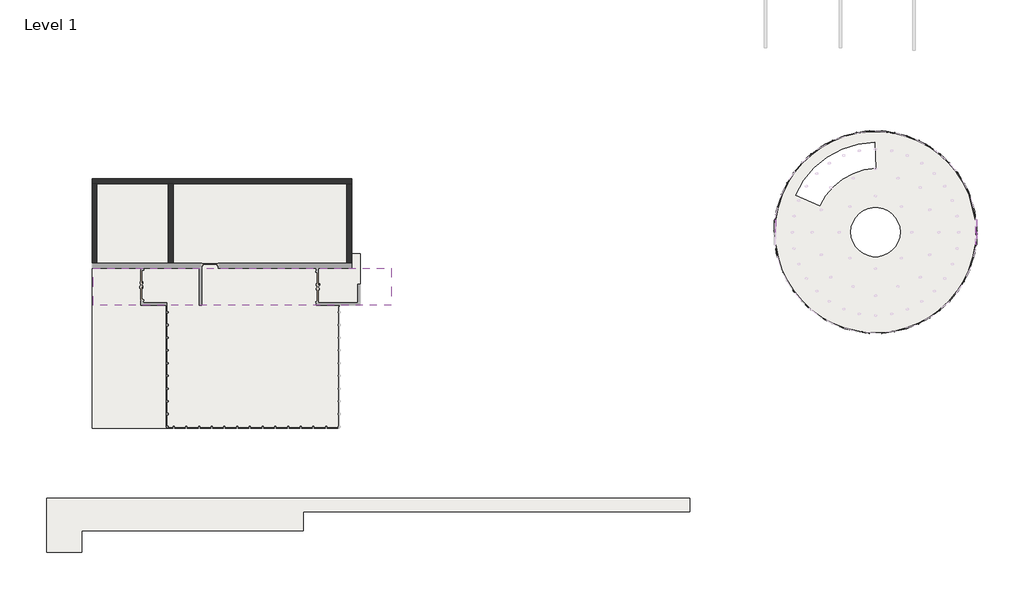
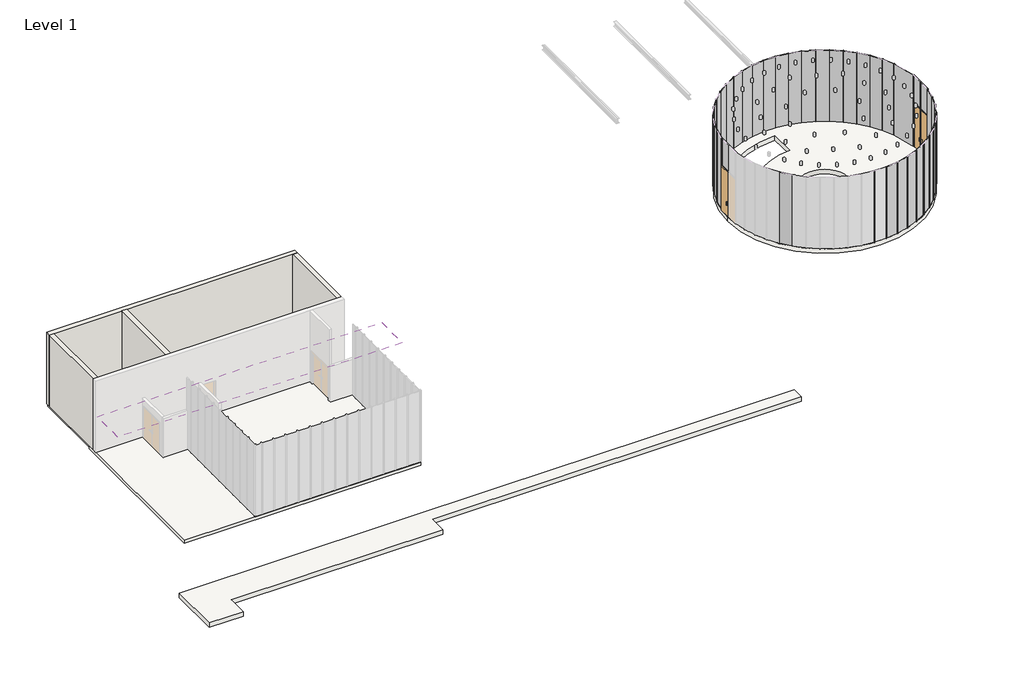
# One storey, part 2 of 3: 44 members, 40 plates, 4 walls, 3 doors, 3 slabs, 1 roof.
"""IFC4 building model written with IfcOpenShell, lengths in millimetres."""

import ifcopenshell
import ifcopenshell.guid

model = None  # the IFC model being written
_history = None  # IfcOwnerHistory: only IFC2X3 demands one
_inside = {}  # id of a spatial element -> (the spatial element, [elements in it])
_under = {}  # id of a project, library or spatial element -> (it, [spatial elements below it])
_declared = {}  # id of a project -> (the project, [libraries it declares])
_typed = {}  # id of a type object -> (the type object, [elements of that type])
_made_of = {}  # id of a material, layer set ... -> (it, [elements and type objects made of it])


def new_model(schema):
    """Start an empty IFC model of exactly this schema.

    Asked for "IFC4X3", IfcOpenShell would pick the latest addendum, in which some entities
    have other attributes; the version numbers below select the first issue.
    IFC2X3 requires an IfcOwnerHistory on every rooted entity: one is made here for all.
    """
    global model, _history
    if schema == "IFC4X3":
        model = ifcopenshell.file(schema_version=(4, 3, 0, 0))
    else:
        model = ifcopenshell.file(schema=schema)
    _inside.clear()
    _under.clear()
    _declared.clear()
    _typed.clear()
    _made_of.clear()
    _history = None
    if model.schema == "IFC2X3":
        org = make("IfcOrganization", Name="unknown")
        user = make(
            "IfcPersonAndOrganization",
            ThePerson=make("IfcPerson", FamilyName="unknown"),
            TheOrganization=org,
        )
        app = make(
            "IfcApplication",
            ApplicationDeveloper=org,
            Version="unknown",
            ApplicationFullName="unknown",
            ApplicationIdentifier="unknown",
        )
        _history = make(
            "IfcOwnerHistory",
            OwningUser=user,
            OwningApplication=app,
            ChangeAction="ADDED",
            CreationDate=0,
        )
    return model


def make(cls, **values):
    """One entity of the class cls with the attributes given. An attribute that is None is left unset."""
    return model.create_entity(
        cls, **{name: value for name, value in values.items() if value is not None}
    )


def rooted(cls, **values):
    """An entity with a GlobalId (a new one), such as an element, a storey or a relation."""
    return make(cls, GlobalId=ifcopenshell.guid.new(), OwnerHistory=_history, **values)


def si_unit(unit_type, name, prefix=None):
    """IfcSIUnit, for example si_unit("LENGTHUNIT", "METRE", prefix="MILLI")."""
    return make("IfcSIUnit", UnitType=unit_type, Prefix=prefix, Name=name)


def assignment(units):
    """IfcUnitAssignment: the units of a project."""
    return None if units is None else make("IfcUnitAssignment", Units=units)


def point(xyz):
    """IfcCartesianPoint."""
    return None if xyz is None else make("IfcCartesianPoint", Coordinates=xyz)


def direction(xyz):
    """IfcDirection."""
    return None if xyz is None else make("IfcDirection", DirectionRatios=xyz)


def frame(location, z_axis=None, x_axis=None):
    """IfcAxis2Placement3D, a coordinate frame: its origin and axes. An axis left out is left unset."""
    return make(
        "IfcAxis2Placement3D",
        Location=point(location),
        Axis=direction(z_axis),
        RefDirection=direction(x_axis),
    )


def frame_2d(location, x_axis=None):
    """IfcAxis2Placement2D, a coordinate frame in the plane: its origin and x axis."""
    return make(
        "IfcAxis2Placement2D", Location=point(location), RefDirection=direction(x_axis)
    )


def origin():
    """The frame at (0, 0, 0) with its axes left unset."""
    return frame((0.0, 0.0, 0.0))


def origin_with_axes():
    """The frame at (0, 0, 0) with the z axis (0, 0, 1) and the x axis (1, 0, 0) written out."""
    return frame((0.0, 0.0, 0.0), z_axis=(0.0, 0.0, 1.0), x_axis=(1.0, 0.0, 0.0))


def place(relative_to, where):
    """IfcLocalPlacement: puts the frame where relative to a parent placement (None: the world)."""
    return make(
        "IfcLocalPlacement", PlacementRelTo=relative_to, RelativePlacement=where
    )


def context(
    kind, dimensions, precision=None, world=None, true_north=None, identifier=None
):
    """IfcGeometricRepresentationContext, for example the 3D "Model" context."""
    return make(
        "IfcGeometricRepresentationContext",
        ContextIdentifier=identifier,
        ContextType=kind,
        CoordinateSpaceDimension=dimensions,
        Precision=precision,
        WorldCoordinateSystem=world,
        TrueNorth=true_north,
    )


def project(units=None, contexts=None):
    """IfcProject with its units and contexts."""
    return rooted(
        "IfcProject",
        Name="project",
        RepresentationContexts=contexts,
        UnitsInContext=assignment(units),
    )


def spatial(cls, under=None, at=None, **own):
    """A site, building, storey or space (cls), placed at a placement, below another one or the project."""
    s = rooted(cls, ObjectPlacement=at, **own)
    if under is not None:
        _under.setdefault(under.id(), (under, []))[1].append(s)
    return s


def polyline(points):
    """IfcPolyline through the points."""
    return make("IfcPolyline", Points=[point(p) for p in points])


def circle_curve(where, radius):
    """IfcCircle in the frame where."""
    return make("IfcCircle", Position=where, Radius=radius)


def trimmed(basis, trim1, trim2, sense, master):
    """IfcTrimmedCurve: the piece of a basis curve between two trims."""
    return make(
        "IfcTrimmedCurve",
        BasisCurve=basis,
        Trim1=trim1,
        Trim2=trim2,
        SenseAgreement=sense,
        MasterRepresentation=master,
    )


def segment(curve, same_sense, transition):
    """IfcCompositeCurveSegment."""
    return make(
        "IfcCompositeCurveSegment",
        Transition=transition,
        SameSense=same_sense,
        ParentCurve=curve,
    )


def composite_curve(segments, self_intersect=None):
    """IfcCompositeCurve: segments joined end to end."""
    return make("IfcCompositeCurve", Segments=segments, SelfIntersect=self_intersect)


def outline(outer, holes=None, kind="AREA"):
    """IfcArbitraryClosedProfileDef: a profile drawn as a closed curve; with holes, ...WithVoids."""
    if holes is None:
        return make("IfcArbitraryClosedProfileDef", ProfileType=kind, OuterCurve=outer)
    return make(
        "IfcArbitraryProfileDefWithVoids",
        ProfileType=kind,
        OuterCurve=outer,
        InnerCurves=holes,
    )


def extrude(swept, where, along, depth):
    """IfcExtrudedAreaSolid: the profile swept, set in the frame where, extruded along a direction by depth."""
    return make(
        "IfcExtrudedAreaSolid",
        SweptArea=swept,
        Position=where,
        ExtrudedDirection=direction(along),
        Depth=depth,
    )


def faces_of(points, faces, orient=None, outer=None):
    """IfcFace entities. A face is a list of loops; a loop is a list of indices into points, from 0.

    orient and outer hold one flag for each loop. By default every Orientation is true, the
    first loop of a face is its IfcFaceOuterBound and the others are IfcFaceBound.
    """
    made = []
    for i, loops in enumerate(faces):
        bounds = []
        for j, loop in enumerate(loops):
            is_outer = j == 0 if outer is None else outer[i][j]
            bounds.append(
                make(
                    "IfcFaceOuterBound" if is_outer else "IfcFaceBound",
                    Bound=make("IfcPolyLoop", Polygon=[points[k] for k in loop]),
                    Orientation=True if orient is None else orient[i][j],
                )
            )
        made.append(make("IfcFace", Bounds=bounds))
    return made


def faceted_brep(points, faces, orient=None, outer=None, voids=None):
    """IfcFacetedBrep: a solid bounded by flat faces; with voids (closed shells), ...WithVoids."""
    shared = [point(p) for p in points]
    hull = make("IfcClosedShell", CfsFaces=faces_of(shared, faces, orient, outer))
    if voids is None:
        return make("IfcFacetedBrep", Outer=hull)
    return make(
        "IfcFacetedBrepWithVoids",
        Outer=hull,
        Voids=[
            make(cls, CfsFaces=faces_of(shared, fs, o, b)) for cls, fs, o, b in voids
        ],
    )


def shape(context_of_items, identifier, shape_type, items):
    """IfcShapeRepresentation: the items that make up one representation, for example the "Body"."""
    return make(
        "IfcShapeRepresentation",
        ContextOfItems=context_of_items,
        RepresentationIdentifier=identifier,
        RepresentationType=shape_type,
        Items=items,
    )


def source(mapping_origin, context_of_items, identifier, shape_type, items):
    """IfcRepresentationMap: a shape defined once, which mapped items show again and again."""
    return make(
        "IfcRepresentationMap",
        MappingOrigin=mapping_origin,
        MappedRepresentation=shape(context_of_items, identifier, shape_type, items),
    )


def transform(
    local_origin,
    x_axis=None,
    y_axis=None,
    z_axis=None,
    scale=None,
    scale2=None,
    scale3=None,
    uniform=True,
):
    """IfcCartesianTransformationOperator3D, or its non-uniform kind. x_axis, y_axis, z_axis: its Axis1, 2, 3."""
    if uniform:
        return make(
            "IfcCartesianTransformationOperator3D",
            Axis1=direction(x_axis),
            Axis2=direction(y_axis),
            LocalOrigin=point(local_origin),
            Scale=scale,
            Axis3=direction(z_axis),
        )
    return make(
        "IfcCartesianTransformationOperator3DnonUniform",
        Axis1=direction(x_axis),
        Axis2=direction(y_axis),
        LocalOrigin=point(local_origin),
        Scale=scale,
        Axis3=direction(z_axis),
        Scale2=scale2,
        Scale3=scale3,
    )


def mapped(mapping_source, mapping_target):
    """IfcMappedItem: shows the shape of a source again, moved by a transform."""
    return make(
        "IfcMappedItem", MappingSource=mapping_source, MappingTarget=mapping_target
    )


def made_of(thing, what):
    """Note that an element or type object is made of a material, layer set ...; save() writes the relation."""
    if what is not None:
        _made_of.setdefault(what.id(), (what, []))[1].append(thing)
    return thing


def element(
    cls,
    number,
    at=None,
    inside=None,
    cuts=None,
    type_object=None,
    material=None,
    context=None,
    identifier="Body",
    shape_type=None,
    held_by="IfcProductDefinitionShape",
    body=None,
    shapes=None,
    **own,
):
    """One element of the class cls, such as IfcWall. Its Tag is "e" and its number.

    at: its placement. inside: the storey or other place that contains it. cuts: it is an
    opening in that element (IfcRelVoidsElement). A single representation is given by context,
    identifier, shape_type and body (its items); several are given by shapes. held_by: the class
    of the entity that holds the representations. save() writes the other relations.
    """
    e = rooted(cls, Tag="e%d" % number, ObjectPlacement=at, **own)
    if body is not None:
        shapes = [shape(context, identifier, shape_type, body)]
    if shapes is not None:
        e.Representation = make(held_by, Representations=shapes)
    if inside is not None:
        _inside.setdefault(inside.id(), (inside, []))[1].append(e)
    if cuts is not None:
        rooted(
            "IfcRelVoidsElement", RelatingBuildingElement=cuts, RelatedOpeningElement=e
        )
    if type_object is not None:
        _typed.setdefault(type_object.id(), (type_object, []))[1].append(e)
    return made_of(e, material)


def aggregate(whole, parts):
    """IfcRelAggregates: a whole, such as a stair, and the parts it consists of."""
    return rooted("IfcRelAggregates", RelatingObject=whole, RelatedObjects=parts)


def save(model, path):
    """Write the relations noted so far, then the file.

    IfcRelAggregates (storeys below a building ...), IfcRelContainedInSpatialStructure (elements
    in a storey), IfcRelDefinesByType, IfcRelAssociatesMaterial and IfcRelDeclares: one each for
    every whole, place, type object, material and project.
    """
    for whole, parts in _under.values():
        aggregate(whole, parts)
    for where, things in _inside.values():
        rooted(
            "IfcRelContainedInSpatialStructure",
            RelatedElements=things,
            RelatingStructure=where,
        )
    for kind, things in _typed.values():
        rooted("IfcRelDefinesByType", RelatedObjects=things, RelatingType=kind)
    for what, things in _made_of.values():
        rooted("IfcRelAssociatesMaterial", RelatedObjects=things, RelatingMaterial=what)
    for by, libraries in _declared.values():
        rooted("IfcRelDeclares", RelatingContext=by, RelatedDefinitions=libraries)
    model.write(path)


def door_curtain_wall_single_glass_door_curtain_wall_single_ae4f2b10(model_context):
    return source(origin(), model_context, "Body", "SweptSolid", [
        extrude(outline(polyline([(380.6458075, 50.8), (380.6458075, 38.1), (-380.6458075, 38.1), (-380.6458075, 50.8), (380.6458075, 50.8)])), origin_with_axes(), (0.0, 0.0, 1.0), 3035.3),
        extrude(outline(polyline([(-279.0458075, -12.7), (-304.4458075, -12.7), (-304.4458075, 38.1), (-279.0458075, 38.1), (-279.0458075, -12.7)])), frame((0.0, 0.0, 762.0), z_axis=(0.0, 0.0, 1.0), x_axis=(1.0, 0.0, 0.0)), (0.0, 0.0, 1.0), 228.6),
        extrude(outline(polyline([(-304.4458075, 101.6), (-279.0458075, 101.6), (-279.0458075, 50.8), (-304.4458075, 50.8), (-304.4458075, 101.6)])), frame((0.0, 0.0, 762.0), z_axis=(0.0, 0.0, 1.0), x_axis=(1.0, 0.0, 0.0)), (0.0, 0.0, 1.0), 228.6),
    ])


def door_curtain_wall_single_glass_door_curtain_wall_single_733c80d1(model_context):
    return source(origin(), model_context, "Body", "SweptSolid", [
        extrude(outline(polyline([(374.6500002, -50.8), (-374.6500002, -50.8), (-374.6500002, -38.1), (374.6500002, -38.1), (374.6500002, -50.8)])), origin_with_axes(), (0.0, 0.0, 1.0), 3035.3),
        extrude(outline(polyline([(-273.0500002, 12.7), (-273.0500002, -38.1), (-298.4500002, -38.1), (-298.4500002, 12.7), (-273.0500002, 12.7)])), frame((0.0, 0.0, 762.0), z_axis=(0.0, 0.0, 1.0), x_axis=(1.0, 0.0, 0.0)), (0.0, 0.0, 1.0), 228.6),
        extrude(outline(polyline([(-298.4500002, -101.6), (-298.4500002, -50.8), (-273.0500002, -50.8), (-273.0500002, -101.6), (-298.4500002, -101.6)])), frame((0.0, 0.0, 762.0), z_axis=(0.0, 0.0, 1.0), x_axis=(1.0, 0.0, 0.0)), (0.0, 0.0, 1.0), 228.6),
    ])


def door_curtain_wall_single_glass_door_curtain_wall_single_a1af9baf(model_context):
    return source(origin(), model_context, "Body", "SweptSolid", [
        extrude(outline(polyline([(374.6500002, 50.8), (374.6500002, 38.1), (-374.6500002, 38.1), (-374.6500002, 50.8), (374.6500002, 50.8)])), origin_with_axes(), (0.0, 0.0, 1.0), 3035.3),
        extrude(outline(polyline([(-273.0500002, -12.7), (-298.4500002, -12.7), (-298.4500002, 38.1), (-273.0500002, 38.1), (-273.0500002, -12.7)])), frame((0.0, 0.0, 762.0), z_axis=(0.0, 0.0, 1.0), x_axis=(1.0, 0.0, 0.0)), (0.0, 0.0, 1.0), 228.6),
        extrude(outline(polyline([(-298.4500002, 101.6), (-273.0500002, 101.6), (-273.0500002, 50.8), (-298.4500002, 50.8), (-298.4500002, 101.6)])), frame((0.0, 0.0, 762.0), z_axis=(0.0, 0.0, 1.0), x_axis=(1.0, 0.0, 0.0)), (0.0, 0.0, 1.0), 228.6),
    ])


def member_7e523723(model_context):
    return source(origin(), model_context, "Body", "SweptSolid", [
        extrude(outline(polyline([(0.0, 12.7), (0.0, -12.7), (-25.4, -12.7), (-25.4, 12.7), (0.0, 12.7)])), frame((0.0, 0.0, -3048.0), z_axis=(0.0, 0.0, 1.0), x_axis=(1.0, 0.0, 0.0)), (0.0, 0.0, 1.0), 3048.0),
    ])


def member_721a11e9(model_context):
    return source(origin(), model_context, "Body", "SweptSolid", [
        extrude(outline(polyline([(12.7, 12.7), (12.7, -12.7), (-12.7, -12.7), (-12.7, 12.7), (12.7, 12.7)])), frame((0.0, 0.0, -762.0000003), z_axis=(0.0, 0.0, 1.0), x_axis=(1.0, 0.0, 0.0)), (0.0, 0.0, 1.0), 762.0000003),
    ])


def member_d0889910(model_context):
    return source(origin(), model_context, "Body", "SweptSolid", [
        extrude(outline(polyline([(12.7, 12.7), (12.7, -12.7), (-12.7, -12.7), (-12.7, 12.7), (12.7, 12.7)])), frame((0.0, 0.0, -773.991615), z_axis=(0.0, 0.0, 1.0), x_axis=(1.0, 0.0, 0.0)), (0.0, 0.0, 1.0), 773.991615),
    ])


def member_db6f6618(model_context):
    return source(origin(), model_context, "Body", "SweptSolid", [
        extrude(outline(polyline([(12.7, 12.7), (12.7, -12.7), (-12.7, -12.7), (-12.7, 12.7), (12.7, 12.7)])), frame((0.0, 0.0, -3035.3), z_axis=(0.0, 0.0, 1.0), x_axis=(1.0, 0.0, 0.0)), (0.0, 0.0, 1.0), 3035.3),
    ])


def member_31f77144(model_context):
    return source(origin(), model_context, "Body", "SweptSolid", [
        extrude(outline(polyline([(12.7, 12.7), (12.7, -12.7), (-12.7, -12.7), (-12.7, 12.7), (12.7, 12.7)])), frame((0.0, 0.0, -4876.8), z_axis=(0.0, 0.0, 1.0), x_axis=(1.0, 0.0, 0.0)), (0.0, 0.0, 1.0), 4876.8),
    ])


def member_a3b27b78(model_context):
    return source(origin(), model_context, "Body", "SweptSolid", [
        extrude(outline(polyline([(12.7, 12.7), (12.7, -12.7), (-12.7, -12.7), (-12.7, 12.7), (12.7, 12.7)])), frame((0.0, 0.0, -1816.1), z_axis=(0.0, 0.0, 1.0), x_axis=(1.0, 0.0, 0.0)), (0.0, 0.0, 1.0), 1816.1),
    ])


def member_c36e35e5(model_context):
    return source(origin(), model_context, "Body", "SweptSolid", [
        extrude(outline(polyline([(0.0, 12.7), (0.0, -12.7), (-25.4, -12.7), (-25.4, 12.7), (0.0, 12.7)])), frame((0.0, 0.0, -1828.8), z_axis=(0.0, 0.0, 1.0), x_axis=(1.0, 0.0, 0.0)), (0.0, 0.0, 1.0), 1828.8),
    ])


def system_panel_glazed_31d649ac(model_context):
    return source(origin(), model_context, "Body", "SweptSolid", [
        extrude(outline(polyline([(1.4917078, 19.05), (-1.4917078, 19.05), (-1.4917078, 44.45), (1.4917078, 44.45), (1.4917078, 19.05)])), origin_with_axes(), (0.0, 0.0, 1.0), 4876.8),
    ])


def system_panel_glazed_9d218b81(model_context):
    return source(origin(), model_context, "Body", "SweptSolid", [
        extrude(outline(polyline([(784.3681239, 19.05), (-784.3681239, 19.05), (-784.3681239, 44.45), (784.3681239, 44.45), (784.3681239, 19.05)])), origin_with_axes(), (0.0, 0.0, 1.0), 4876.8),
    ])


def system_panel_glazed_4997dcee(model_context):
    return source(origin(), model_context, "Body", "SweptSolid", [
        extrude(outline(polyline([(393.7, 19.05), (-393.7, 19.05), (-393.7, 44.45), (393.7, 44.45), (393.7, 19.05)])), origin_with_axes(), (0.0, 0.0, 1.0), 4876.8),
    ])


def system_panel_glazed_c11b8e3f(model_context):
    return source(origin(), model_context, "Body", "SweptSolid", [
        extrude(outline(polyline([(9.0974985, 19.05), (-9.0974985, 19.05), (-9.0974985, 44.45), (9.0974985, 44.45), (9.0974985, 19.05)])), origin_with_axes(), (0.0, 0.0, 1.0), 4876.8),
    ])


def system_panel_glazed_d47daf9d(model_context):
    return source(origin(), model_context, "Body", "SweptSolid", [
        extrude(outline(polyline([(393.7000002, 19.05), (-393.7000002, 19.05), (-393.7000002, 44.45), (393.7000002, 44.45), (393.7000002, 19.05)])), origin_with_axes(), (0.0, 0.0, 1.0), 1828.8),
    ])


def system_panel_glazed_82665ca6(model_context):
    return source(origin(), model_context, "Body", "SweptSolid", [
        extrude(outline(polyline([(386.9958075, 19.05), (-386.9958075, 19.05), (-386.9958075, 44.45), (386.9958075, 44.45), (386.9958075, 19.05)])), origin_with_axes(), (0.0, 0.0, 1.0), 1828.8),
    ])


def system_panel_glazed_048c3940(model_context):
    return source(origin(), model_context, "Body", "SweptSolid", [
        extrude(outline(polyline([(7.7167784, 19.05), (-7.7167784, 19.05), (-7.7167784, 44.45), (7.7167784, 44.45), (7.7167784, 19.05)])), origin_with_axes(), (0.0, 0.0, 1.0), 4876.8),
    ])


model = new_model("IFC4")

# Units and contexts
model_context = context("Model", 3, world=origin())
ifc_project = project(units=[si_unit("LENGTHUNIT", "METRE", prefix="MILLI")], contexts=[model_context])

# Site, building, storey
site = spatial("IfcSite", under=ifc_project)
building = spatial("IfcBuilding", under=site)
storey = spatial("IfcBuildingStorey", under=building, Name="Level 1", Elevation=0.0)

# Doors
placement = place(None, origin())
door_curtain_wall_single_glass_door_curtain_wall_single_shape = door_curtain_wall_single_glass_door_curtain_wall_single_ae4f2b10(model_context)
element("IfcDoor", 1, ObjectType="Door-Curtain-Wall-Single-Glass : Door-Curtain-Wall-Single-Glass", at=placement, inside=storey, context=model_context, shape_type="MappedRepresentation", body=[
    mapped(door_curtain_wall_single_glass_door_curtain_wall_single_shape, transform((59093.2485809, -406.6562748, 0.0), x_axis=(0.0, -1.0, 0.0), y_axis=(1.0, 0.0, 0.0), z_axis=(0.0, 0.0, 1.0))),
])
door_curtain_wall_single_glass_door_curtain_wall_single_2_shape = door_curtain_wall_single_glass_door_curtain_wall_single_733c80d1(model_context)
element("IfcDoor", 2, ObjectType="Door-Curtain-Wall-Single-Glass : Door-Curtain-Wall-Single-Glass", at=placement, inside=storey, context=model_context, shape_type="MappedRepresentation", body=[
    mapped(door_curtain_wall_single_glass_door_curtain_wall_single_2_shape, transform((59093.2485809, 374.0395328, 0.0), x_axis=(0.0, 1.0, 0.0), y_axis=(-1.0, 0.0, 0.0), z_axis=(0.0, 0.0, 1.0))),
])
door_curtain_wall_single_glass_door_curtain_wall_single_3_shape = door_curtain_wall_single_glass_door_curtain_wall_single_a1af9baf(model_context)
element("IfcDoor", 3, ObjectType="Door-Curtain-Wall-Single-Glass : Door-Curtain-Wall-Single-Glass", at=placement, inside=storey, context=model_context, shape_type="MappedRepresentation", body=[
    mapped(door_curtain_wall_single_glass_door_curtain_wall_single_3_shape, transform((46672.6485809, 374.0395328, 0.0), x_axis=(0.0, 1.0, 0.0), y_axis=(-1.0, 0.0, 0.0), z_axis=(0.0, 0.0, 1.0))),
])

# Members
member_shape = member_7e523723(model_context)
element("IfcMember", 4, ObjectType="Rectangular Mullion : 1\" Square", at=placement, inside=storey, context=model_context, shape_type="MappedRepresentation", body=[
    mapped(member_shape, transform((59093.2485809, 774.089533, 3048.0), x_axis=(0.0, 1.0, 0.0), y_axis=(-1.0, 0.0, 0.0), z_axis=(0.0, 0.0, 1.0))),
])
element("IfcMember", 5, ObjectType="Rectangular Mullion : 1\" Square", at=placement, inside=storey, context=model_context, shape_type="MappedRepresentation", body=[
    mapped(member_shape, transform((46672.6485809, 774.089533, 3048.0), x_axis=(0.0, 1.0, 0.0), y_axis=(-1.0, 0.0, 0.0), z_axis=(0.0, 0.0, 1.0))),
])
member_2_shape = member_721a11e9(model_context)
element("IfcMember", 6, ObjectType="Rectangular Mullion : 1\" Square", at=placement, inside=storey, context=model_context, shape_type="MappedRepresentation", body=[
    mapped(member_2_shape, transform((59093.2485809, -13.3104674, 3048.0), x_axis=(0.0, 0.0, 1.0), y_axis=(-1.0, 0.0, 0.0), z_axis=(0.0, -1.0, 0.0))),
])
member_3_shape = member_d0889910(model_context)
element("IfcMember", 7, ObjectType="Rectangular Mullion : 1\" Square", at=placement, inside=storey, context=model_context, shape_type="MappedRepresentation", body=[
    mapped(member_3_shape, transform((59093.2485809, -787.3020823, 3048.0), x_axis=(0.0, 0.0, 1.0), y_axis=(-1.0, 0.0, 0.0), z_axis=(0.0, -1.0, 0.0))),
])
member_4_shape = member_db6f6618(model_context)
element("IfcMember", 8, ObjectType="Rectangular Mullion : 1\" Square", at=placement, inside=storey, context=model_context, shape_type="MappedRepresentation", body=[
    mapped(member_4_shape, transform((59093.2485809, -13.3104674, 0.0), x_axis=(0.0, -1.0, 0.0), y_axis=(-1.0, 0.0, 0.0), z_axis=(0.0, 0.0, -1.0))),
])
member_5_shape = member_31f77144(model_context)
element("IfcMember", 9, ObjectType="Rectangular Mullion : 1\" Square", at=placement, inside=storey, context=model_context, shape_type="MappedRepresentation", body=[
    mapped(member_5_shape, transform((59109.1910539, 785.0987235, 0.0), x_axis=(-0.125258712185237, 0.99212411271055, 0.0), y_axis=(0.99212411271055, 0.125258712185237, 0.0), z_axis=(0.0, 0.0, -1.0))),
])
element("IfcMember", 10, ObjectType="Rectangular Mullion : 1\" Square", at=placement, inside=storey, context=model_context, shape_type="MappedRepresentation", body=[
    mapped(member_5_shape, transform((58719.6517823, 2304.7014911, 0.0), x_axis=(-0.36747280373443125, 0.9300342673877969, 0.0), y_axis=(0.9300342673877969, 0.36747280373443125, 0.0), z_axis=(0.0, 0.0, -1.0))),
])
element("IfcMember", 11, ObjectType="Rectangular Mullion : 1\" Square", at=placement, inside=storey, context=model_context, shape_type="MappedRepresentation", body=[
    mapped(member_5_shape, transform((58384.9193646, 3017.4096842, 0.0), x_axis=(-0.4810735230947188, 0.8766802526447343, 0.0), y_axis=(0.8766802526447343, 0.4810735230947188, 0.0), z_axis=(0.0, 0.0, -1.0))),
])
element("IfcMember", 12, ObjectType="Rectangular Mullion : 1\" Square", at=placement, inside=storey, context=model_context, shape_type="MappedRepresentation", body=[
    mapped(member_5_shape, transform((57963.550352, 3682.5765168, 0.0), x_axis=(-0.5870964808838607, 0.8095169684038666, 0.0), y_axis=(0.8095169684038666, 0.5870964808838607, 0.0), z_axis=(0.0, 0.0, -1.0))),
])
element("IfcMember", 13, ObjectType="Rectangular Mullion : 1\" Square", at=placement, inside=storey, context=model_context, shape_type="MappedRepresentation", body=[
    mapped(member_5_shape, transform((57462.1820539, 4289.724431, 0.0), x_axis=(-0.6838716273971353, 0.7296023555617086, 0.0), y_axis=(0.7296023555617086, 0.6838716273971353, 0.0), z_axis=(0.0, 0.0, -1.0))),
])
element("IfcMember", 14, ObjectType="Rectangular Mullion : 1\" Square", at=placement, inside=storey, context=model_context, shape_type="MappedRepresentation", body=[
    mapped(member_5_shape, transform((56888.7119108, 4829.2897699, 0.0), x_axis=(-0.7698745823660691, 0.6381952110652905, 0.0), y_axis=(0.6381952110652905, 0.7698745823660691, 0.0), z_axis=(0.0, 0.0, -1.0))),
])
element("IfcMember", 15, ObjectType="Rectangular Mullion : 1\" Square", at=placement, inside=storey, context=model_context, shape_type="MappedRepresentation", body=[
    mapped(member_5_shape, transform((56252.1730948, 5292.773422, 0.0), x_axis=(-0.8437506466524193, 0.5367353596267199, 0.0), y_axis=(0.5367353596267199, 0.8437506466524193, 0.0), z_axis=(0.0, 0.0, -1.0))),
])
element("IfcMember", 16, ObjectType="Rectangular Mullion : 1\" Square", at=placement, inside=storey, context=model_context, shape_type="MappedRepresentation", body=[
    mapped(member_5_shape, transform((55562.5922218, 5672.8746975, 0.0), x_axis=(-0.9043361411632781, 0.4268209739292478, 0.0), y_axis=(0.4268209739292478, 0.9043361411632781, 0.0), z_axis=(0.0, 0.0, -1.0))),
])
element("IfcMember", 17, ObjectType="Rectangular Mullion : 1\" Square", at=placement, inside=storey, context=model_context, shape_type="MappedRepresentation", body=[
    mapped(member_5_shape, transform((54830.8314141, 5963.6063268, 0.0), x_axis=(-0.9506767368615362, 0.3101834005718253, 0.0), y_axis=(0.3101834005718253, 0.9506767368615362, 0.0), z_axis=(0.0, 0.0, -1.0))),
])
element("IfcMember", 18, ObjectType="Rectangular Mullion : 1\" Square", at=placement, inside=storey, context=model_context, shape_type="MappedRepresentation", body=[
    mapped(member_5_shape, transform((54068.4172027, 6160.3887709, 0.0), x_axis=(-0.9820424871415133, 0.18865988828818586, 0.0), y_axis=(0.18865988828818586, 0.9820424871415133, 0.0), z_axis=(0.0, 0.0, -1.0))),
])
element("IfcMember", 19, ObjectType="Rectangular Mullion : 1\" Square", at=placement, inside=storey, context=model_context, shape_type="MappedRepresentation", body=[
    mapped(member_5_shape, transform((53287.3589643, 6260.1223571, 0.0), x_axis=(-0.9979393257831585, 0.06416464801941305, 0.0), y_axis=(0.06416464801941305, 0.9979393257831585, 0.0), z_axis=(0.0, 0.0, -1.0))),
])
element("IfcMember", 20, ObjectType="Rectangular Mullion : 1\" Square", at=placement, inside=storey, context=model_context, shape_type="MappedRepresentation", body=[
    mapped(member_5_shape, transform((52499.959752, 6261.2361046, 0.0), x_axis=(-0.9981168493716538, -0.06134129930481871, 0.0), y_axis=(-0.06134129930481871, 0.9981168493716538, 0.0), z_axis=(0.0, 0.0, -1.0))),
])
element("IfcMember", 21, ObjectType="Rectangular Mullion : 1\" Square", at=placement, inside=storey, context=model_context, shape_type="MappedRepresentation", body=[
    mapped(member_5_shape, transform((51718.6225005, 6163.7124698, 0.0), x_axis=(-0.9825722615954955, -0.18588101232539414, 0.0), y_axis=(-0.18588101232539414, 0.9825722615954955, 0.0), z_axis=(0.0, 0.0, -1.0))),
])
element("IfcMember", 22, ObjectType="Rectangular Mullion : 1\" Square", at=placement, inside=storey, context=model_context, shape_type="MappedRepresentation", body=[
    mapped(member_5_shape, transform((50955.6546578, 5969.087623, 0.0), x_axis=(-0.9515504172933609, -0.30749276958788946, 0.0), y_axis=(-0.30749276958788946, 0.9515504172933609, 0.0), z_axis=(0.0, 0.0, -1.0))),
])
element("IfcMember", 23, ObjectType="Rectangular Mullion : 1\" Square", at=placement, inside=storey, context=model_context, shape_type="MappedRepresentation", body=[
    mapped(member_5_shape, transform((50223.0743212, 5680.4272509, 0.0), x_axis=(-0.9055399655559473, -0.4242609701362285, 0.0), y_axis=(-0.4242609701362285, 0.9055399655559473, 0.0), z_axis=(0.0, 0.0, -1.0))),
])
element("IfcMember", 24, ObjectType="Rectangular Mullion : 1\" Square", at=placement, inside=storey, context=model_context, shape_type="MappedRepresentation", body=[
    mapped(member_5_shape, transform((49532.4209308, 5302.2782665, 0.0), x_axis=(-0.8452656526357704, -0.5343463076266414, 0.0), y_axis=(-0.5343463076266414, 0.8452656526357704, 0.0), z_axis=(0.0, 0.0, -1.0))),
])
element("IfcMember", 25, ObjectType="Rectangular Mullion : 1\" Square", at=placement, inside=storey, context=model_context, shape_type="MappedRepresentation", body=[
    mapped(member_5_shape, transform((48894.5735031, 4840.5971873, 0.0), x_axis=(-0.771676905907746, -0.6360147426661177, 0.0), y_axis=(-0.6360147426661177, 0.771676905907746, 0.0), z_axis=(0.0, 0.0, -1.0))),
])
element("IfcMember", 26, ObjectType="Rectangular Mullion : 1\" Square", at=placement, inside=storey, context=model_context, shape_type="MappedRepresentation", body=[
    mapped(member_5_shape, transform((48319.5792666, 4302.6563094, 0.0), x_axis=(-0.6859328787034408, -0.7276648170095974, 0.0), y_axis=(-0.7276648170095974, 0.6859328787034408, 0.0), z_axis=(0.0, 0.0, -1.0))),
])
element("IfcMember", 27, ObjectType="Rectangular Mullion : 1\" Square", at=placement, inside=storey, context=model_context, shape_type="MappedRepresentation", body=[
    mapped(member_5_shape, transform((47816.495401, 3696.9291562, 0.0), x_axis=(-0.5893841915893855, -0.8078528793688406, 0.0), y_axis=(-0.8078528793688406, 0.5893841915893855, 0.0), z_axis=(0.0, 0.0, -1.0))),
])
element("IfcMember", 28, ObjectType="Rectangular Mullion : 1\" Square", at=placement, inside=storey, context=model_context, shape_type="MappedRepresentation", body=[
    mapped(member_5_shape, transform((47393.2463697, 3032.9570051, 0.0), x_axis=(-0.4835516576967009, -0.8753158254817359, 0.0), y_axis=(-0.8753158254817359, 0.4835516576967009, 0.0), z_axis=(0.0, 0.0, -1.0))),
])
element("IfcMember", 29, ObjectType="Rectangular Mullion : 1\" Square", at=placement, inside=storey, context=model_context, shape_type="MappedRepresentation", body=[
    mapped(member_5_shape, transform((47056.4990959, 2321.1985955, 0.0), x_axis=(-0.37010232721586406, -0.9289909942455855, 0.0), y_axis=(-0.9289909942455855, 0.37010232721586406, 0.0), z_axis=(0.0, 0.0, -1.0))),
])
element("IfcMember", 30, ObjectType="Rectangular Mullion : 1\" Square", at=placement, inside=storey, context=model_context, shape_type="MappedRepresentation", body=[
    mapped(member_5_shape, transform((46811.5579467, 1572.8653854, 0.0), x_axis=(-0.25082322839831556, -0.9680329065149833, 0.0), y_axis=(-0.9680329065149833, 0.25082322839831556, 0.0), z_axis=(0.0, 0.0, -1.0))),
])
element("IfcMember", 31, ObjectType="Rectangular Mullion : 1\" Square", at=placement, inside=storey, context=model_context, shape_type="MappedRepresentation", body=[
    mapped(member_5_shape, transform((46662.2811798, 799.7449505, 0.0), x_axis=(-0.12759321869072246, -0.9918265828985133, 0.0), y_axis=(-0.9918265828985133, 0.12759321869072246, 0.0), z_axis=(0.0, 0.0, -1.0))),
])
element("IfcMember", 32, ObjectType="Rectangular Mullion : 1\" Square", at=placement, inside=storey, context=model_context, shape_type="MappedRepresentation", body=[
    mapped(member_5_shape, transform((52478.9549935, -6261.4086156, 0.0), x_axis=(0.9979054529289096, -0.06468931144128656, 0.0), y_axis=(-0.06468931144128656, -0.9979054529289096, 0.0), z_axis=(0.0, 0.0, -1.0))),
])
element("IfcMember", 33, ObjectType="Rectangular Mullion : 1\" Square", at=placement, inside=storey, context=model_context, shape_type="MappedRepresentation", body=[
    mapped(member_5_shape, transform((53266.3535114, -6262.9363425, 0.0), x_axis=(0.9981489619602169, 0.06081652520279006, 0.0), y_axis=(0.06081652520279006, -0.9981489619602169, 0.0), z_axis=(0.0, 0.0, -1.0))),
])
element("IfcMember", 34, ObjectType="Rectangular Mullion : 1\" Square", at=placement, inside=storey, context=model_context, shape_type="MappedRepresentation", body=[
    mapped(member_5_shape, transform((54047.7419286, -6165.8235137, 0.0), x_axis=(0.9826698537966223, 0.18536439366643448, 0.0), y_axis=(0.18536439366643448, -0.9826698537966223, 0.0), z_axis=(0.0, 0.0, -1.0))),
])
element("IfcMember", 35, ObjectType="Rectangular Mullion : 1\" Square", at=placement, inside=storey, context=model_context, shape_type="MappedRepresentation", body=[
    mapped(member_5_shape, transform((54810.811991, -5971.5998285, 0.0), x_axis=(0.9517119518567234, 0.3069924440325295, 0.0), y_axis=(0.3069924440325295, -0.9517119518567234, 0.0), z_axis=(0.0, 0.0, -1.0))),
])
element("IfcMember", 36, ObjectType="Rectangular Mullion : 1\" Square", at=placement, inside=storey, context=model_context, shape_type="MappedRepresentation", body=[
    mapped(member_5_shape, transform((55543.5439912, -5683.3246546, 0.0), x_axis=(0.9057628980255571, 0.42378481869970785, 0.0), y_axis=(0.42378481869970785, -0.9057628980255571, 0.0), z_axis=(0.0, 0.0, -1.0))),
])
element("IfcMember", 37, ObjectType="Rectangular Mullion : 1\" Square", at=placement, inside=storey, context=model_context, shape_type="MappedRepresentation", body=[
    mapped(member_5_shape, transform((56234.3961, -5305.5388374, 0.0), x_axis=(0.8455464714296751, 0.533901830538935, 0.0), y_axis=(0.533901830538935, -0.8455464714296751, 0.0), z_axis=(0.0, 0.0, -1.0))),
])
element("IfcMember", 38, ObjectType="Rectangular Mullion : 1\" Square", at=placement, inside=storey, context=model_context, shape_type="MappedRepresentation", body=[
    mapped(member_5_shape, transform((56872.4861711, -4844.1931739, 0.0), x_axis=(0.7720111876316768, 0.6356089412300052, 0.0), y_axis=(0.6356089412300052, -0.7720111876316768, 0.0), z_axis=(0.0, 0.0, -1.0))),
])
element("IfcMember", 39, ObjectType="Rectangular Mullion : 1\" Square", at=placement, inside=storey, context=model_context, shape_type="MappedRepresentation", body=[
    mapped(member_5_shape, transform((57447.7631535, -4306.5546769, 0.0), x_axis=(0.6863153578271213, 0.7273040833177211, 0.0), y_axis=(0.7273040833177211, -0.6863153578271213, 0.0), z_axis=(0.0, 0.0, -1.0))),
])
element("IfcMember", 40, ObjectType="Rectangular Mullion : 1\" Square", at=placement, inside=storey, context=model_context, shape_type="MappedRepresentation", body=[
    mapped(member_5_shape, transform((57951.1654141, -3701.0921066, 0.0), x_axis=(0.5898088433879731, 0.8075428956169086, 0.0), y_axis=(0.8075428956169086, -0.5898088433879731, 0.0), z_axis=(0.0, 0.0, -1.0))),
])
element("IfcMember", 41, ObjectType="Rectangular Mullion : 1\" Square", at=placement, inside=storey, context=model_context, shape_type="MappedRepresentation", body=[
    mapped(member_5_shape, transform((58374.7634741, -3037.3425728, 0.0), x_axis=(0.48401179315089543, 0.8750614744638543, 0.0), y_axis=(0.8750614744638543, -0.48401179315089543, 0.0), z_axis=(0.0, 0.0, -1.0))),
])
element("IfcMember", 42, ObjectType="Rectangular Mullion : 1\" Square", at=placement, inside=storey, context=model_context, shape_type="MappedRepresentation", body=[
    mapped(member_5_shape, transform((58711.8849124, -2325.7613084, 0.0), x_axis=(0.3705906983758329, 0.9287962824415871, 0.0), y_axis=(0.9287962824415871, -0.3705906983758329, 0.0), z_axis=(0.0, 0.0, -1.0))),
])
element("IfcMember", 43, ObjectType="Rectangular Mullion : 1\" Square", at=placement, inside=storey, context=model_context, shape_type="MappedRepresentation", body=[
    mapped(member_5_shape, transform((58957.2194682, -1577.5569809, 0.0), x_axis=(0.2513321425517567, 0.9679009009812645, 0.0), y_axis=(0.9679009009812645, -0.2513321425517567, 0.0), z_axis=(0.0, 0.0, -1.0))),
])
element("IfcMember", 44, ObjectType="Rectangular Mullion : 1\" Square", at=placement, inside=storey, context=model_context, shape_type="MappedRepresentation", body=[
    mapped(member_5_shape, transform((59106.9026869, -804.515136, 0.0), x_axis=(0.1281146595367384, 0.9917593629564511, 0.0), y_axis=(0.9917593629564511, -0.1281146595367384, 0.0), z_axis=(0.0, 0.0, -1.0))),
])
member_6_shape = member_a3b27b78(model_context)
element("IfcMember", 45, ObjectType="Rectangular Mullion : 1\" Square", at=placement, inside=storey, context=model_context, shape_type="MappedRepresentation", body=[
    mapped(member_6_shape, transform((59093.2485809, -13.3104674, 3060.7), x_axis=(0.0, -1.0, 0.0), y_axis=(-1.0, 0.0, 0.0), z_axis=(0.0, 0.0, -1.0))),
])
member_7_shape = member_c36e35e5(model_context)
element("IfcMember", 46, ObjectType="Rectangular Mullion : 1\" Square", at=placement, inside=storey, context=model_context, shape_type="MappedRepresentation", body=[
    mapped(member_7_shape, transform((59093.2485809, 774.089533, 4876.8), x_axis=(0.0, 1.0, 0.0), y_axis=(-1.0, 0.0, 0.0), z_axis=(0.0, 0.0, 1.0))),
])
element("IfcMember", 47, ObjectType="Rectangular Mullion : 1\" Square", at=placement, inside=storey, context=model_context, shape_type="MappedRepresentation", body=[
    mapped(member_7_shape, transform((46672.6485809, 774.089533, 4876.8), x_axis=(0.0, 1.0, 0.0), y_axis=(-1.0, 0.0, 0.0), z_axis=(0.0, 0.0, 1.0))),
])

# Plates
system_panel_glazed_shape = system_panel_glazed_31d649ac(model_context)
element("IfcPlate", 48, ObjectType="System Panel : Glazed", at=placement, inside=storey, context=model_context, shape_type="MappedRepresentation", body=[
    mapped(system_panel_glazed_shape, transform((59109.3775514, 783.6187199, 0.0), x_axis=(-0.1250228134495213, 0.9921538671582983, 0.0), y_axis=(-0.9921538671582983, -0.1250228134495213, 0.0), z_axis=(0.0, 0.0, 1.0))),
])
system_panel_glazed_2_shape = system_panel_glazed_9d218b81(model_context)
element("IfcPlate", 49, ObjectType="System Panel : Glazed", at=placement, inside=storey, context=model_context, shape_type="MappedRepresentation", body=[
    mapped(system_panel_glazed_2_shape, transform((58914.4214181, 1544.9001073, 0.0), x_axis=(-0.24831406306967535, 0.9686795786439546, 0.0), y_axis=(-0.9686795786439546, -0.24831406306967535, 0.0), z_axis=(0.0, 0.0, 1.0))),
])
system_panel_glazed_3_shape = system_panel_glazed_4997dcee(model_context)
element("IfcPlate", 50, ObjectType="System Panel : Glazed", at=placement, inside=storey, context=model_context, shape_type="MappedRepresentation", body=[
    mapped(system_panel_glazed_3_shape, transform((58552.2855735, 2661.0555877, 0.0), x_axis=(-0.42511102069472034, 0.9051412155481006, 0.0), y_axis=(-0.9051412155481006, -0.42511102069472034, 0.0), z_axis=(0.0, 0.0, 1.0))),
])
element("IfcPlate", 51, ObjectType="System Panel : Glazed", at=placement, inside=storey, context=model_context, shape_type="MappedRepresentation", body=[
    mapped(system_panel_glazed_3_shape, transform((58174.2348583, 3349.9931005, 0.0), x_axis=(-0.5351397163707828, 0.8447635669005844, 0.0), y_axis=(-0.8447635669005844, -0.5351397163707828, 0.0), z_axis=(0.0, 0.0, 1.0))),
])
element("IfcPlate", 52, ObjectType="System Panel : Glazed", at=placement, inside=storey, context=model_context, shape_type="MappedRepresentation", body=[
    mapped(system_panel_glazed_3_shape, transform((57712.8662029, 3986.1504739, 0.0), x_axis=(-0.6367390120004137, 0.7710793931864196, 0.0), y_axis=(-0.7710793931864196, -0.6367390120004137, 0.0), z_axis=(0.0, 0.0, 1.0))),
])
element("IfcPlate", 53, ObjectType="System Panel : Glazed", at=placement, inside=storey, context=model_context, shape_type="MappedRepresentation", body=[
    mapped(system_panel_glazed_3_shape, transform((57175.4469823, 4559.5071004, 0.0), x_axis=(-0.7283085384069484, 0.6852493508815128, 0.0), y_axis=(-0.6852493508815128, -0.7283085384069484, 0.0), z_axis=(0.0, 0.0, 1.0))),
])
element("IfcPlate", 54, ObjectType="System Panel : Glazed", at=placement, inside=storey, context=model_context, shape_type="MappedRepresentation", body=[
    mapped(system_panel_glazed_3_shape, transform((56570.4425028, 5061.0315959, 0.0), x_axis=(-0.8084059130750585, 0.5886254154428612, 0.0), y_axis=(-0.5886254154428612, -0.8084059130750585, 0.0), z_axis=(0.0, 0.0, 1.0))),
])
element("IfcPlate", 55, ObjectType="System Panel : Glazed", at=placement, inside=storey, context=model_context, shape_type="MappedRepresentation", body=[
    mapped(system_panel_glazed_3_shape, transform((55907.3826583, 5482.8240597, 0.0), x_axis=(-0.8757694602346903, 0.4827295852961979, 0.0), y_axis=(-0.4827295852961979, -0.8757694602346903, 0.0), z_axis=(0.0, 0.0, 1.0))),
])
element("IfcPlate", 56, ObjectType="System Panel : Glazed", at=placement, inside=storey, context=model_context, shape_type="MappedRepresentation", body=[
    mapped(system_panel_glazed_3_shape, transform((55196.711818, 5818.2405121, 0.0), x_axis=(-0.9293380844930149, 0.36922990766032754, 0.0), y_axis=(-0.36922990766032754, -0.9293380844930149, 0.0), z_axis=(0.0, 0.0, 1.0))),
])
element("IfcPlate", 57, ObjectType="System Panel : Glazed", at=placement, inside=storey, context=model_context, shape_type="MappedRepresentation", body=[
    mapped(system_panel_glazed_3_shape, transform((54449.6243084, 6061.9975488, 0.0), x_axis=(-0.9682679849696433, 0.24991420384369253, 0.0), y_axis=(-0.24991420384369253, -0.9682679849696433, 0.0), z_axis=(0.0, 0.0, 1.0))),
])
element("IfcPlate", 58, ObjectType="System Panel : Glazed", at=placement, inside=storey, context=model_context, shape_type="MappedRepresentation", body=[
    mapped(system_panel_glazed_3_shape, transform((53677.8880835, 6210.255564, 0.0), x_axis=(-0.9919459466576345, 0.12666190788666265, 0.0), y_axis=(-0.12666190788666265, -0.9919459466576345, 0.0), z_axis=(0.0, 0.0, 1.0))),
])
element("IfcPlate", 59, ObjectType="System Panel : Glazed", at=placement, inside=storey, context=model_context, shape_type="MappedRepresentation", body=[
    mapped(system_panel_glazed_3_shape, transform((52893.6593582, 6260.6792309, 0.0), x_axis=(-0.999998999647926, 0.001414462140597235, 0.0), y_axis=(-0.001414462140597235, -0.999998999647926, 0.0), z_axis=(0.0, 0.0, 1.0))),
])
element("IfcPlate", 60, ObjectType="System Panel : Glazed", at=placement, inside=storey, context=model_context, shape_type="MappedRepresentation", body=[
    mapped(system_panel_glazed_3_shape, transform((52109.2911262, 6212.4742872, 0.0), x_axis=(-0.99230029406716, -0.12385526389390115, 0.0), y_axis=(0.12385526389390115, -0.99230029406716, 0.0), z_axis=(0.0, 0.0, 1.0))),
])
element("IfcPlate", 61, ObjectType="System Panel : Glazed", at=placement, inside=storey, context=model_context, shape_type="MappedRepresentation", body=[
    mapped(system_panel_glazed_3_shape, transform((51337.1385791, 6066.4000464, 0.0), x_axis=(-0.9689710981882657, -0.2471740497621596, 0.0), y_axis=(0.2471740497621596, -0.9689710981882657, 0.0), z_axis=(0.0, 0.0, 1.0))),
])
element("IfcPlate", 62, ObjectType="System Panel : Glazed", at=placement, inside=storey, context=model_context, shape_type="MappedRepresentation", body=[
    mapped(system_panel_glazed_3_shape, transform((50589.3644895, 5824.757437, 0.0), x_axis=(-0.9303788882399885, -0.36659940577873734, 0.0), y_axis=(0.36659940577873734, -0.9303788882399885, 0.0), z_axis=(0.0, 0.0, 1.0))),
])
element("IfcPlate", 63, ObjectType="System Panel : Glazed", at=placement, inside=storey, context=model_context, shape_type="MappedRepresentation", body=[
    mapped(system_panel_glazed_3_shape, transform((49877.747626, 5491.3527587, 0.0), x_axis=(-0.8771315600042674, -0.48025017068657083, 0.0), y_axis=(0.48025017068657083, -0.8771315600042674, 0.0), z_axis=(0.0, 0.0, 1.0))),
])
element("IfcPlate", 64, ObjectType="System Panel : Glazed", at=placement, inside=storey, context=model_context, shape_type="MappedRepresentation", body=[
    mapped(system_panel_glazed_3_shape, transform((49213.4972169, 5071.4377269, 0.0), x_axis=(-0.8100678533790634, -0.5863361432845806, 0.0), y_axis=(0.5863361432845806, -0.8100678533790634, 0.0), z_axis=(0.0, 0.0, 1.0))),
])
element("IfcPlate", 65, ObjectType="System Panel : Glazed", at=placement, inside=storey, context=model_context, shape_type="MappedRepresentation", body=[
    mapped(system_panel_glazed_3_shape, transform((48607.0763848, 4571.6267484, 0.0), x_axis=(-0.7302441407367566, -0.6831862812730041, 0.0), y_axis=(0.6831862812730041, -0.7302441407367566, 0.0), z_axis=(0.0, 0.0, 1.0))),
])
element("IfcPlate", 66, ObjectType="System Panel : Glazed", at=placement, inside=storey, context=model_context, shape_type="MappedRepresentation", body=[
    mapped(system_panel_glazed_3_shape, transform((48068.0373338, 3999.7927328, 0.0), x_axis=(-0.6389177871849472, -0.7692750231345683, 0.0), y_axis=(0.7692750231345683, -0.6389177871849472, 0.0), z_axis=(0.0, 0.0, 1.0))),
])
element("IfcPlate", 67, ObjectType="System Panel : Glazed", at=placement, inside=storey, context=model_context, shape_type="MappedRepresentation", body=[
    mapped(system_panel_glazed_3_shape, transform((47604.8708853, 3364.9430807, 0.0), x_axis=(-0.5375273448350081, -0.8432463184352638, 0.0), y_axis=(0.8432463184352638, -0.5375273448350081, 0.0), z_axis=(0.0, 0.0, 1.0))),
])
element("IfcPlate", 68, ObjectType="System Panel : Glazed", at=placement, inside=storey, context=model_context, shape_type="MappedRepresentation", body=[
    mapped(system_panel_glazed_3_shape, transform((47224.8727328, 2677.0778003, 0.0), x_axis=(-0.42766989305390907, -0.9039349880247242, 0.0), y_axis=(0.9039349880247242, -0.42766989305390907, 0.0), z_axis=(0.0, 0.0, 1.0))),
])
element("IfcPlate", 69, ObjectType="System Panel : Glazed", at=placement, inside=storey, context=model_context, shape_type="MappedRepresentation", body=[
    mapped(system_panel_glazed_3_shape, transform((46934.0285213, 1947.0319904, 0.0), x_axis=(-0.3110758816303656, -0.9503850776753026, 0.0), y_axis=(0.9503850776753026, -0.3110758816303656, 0.0), z_axis=(0.0, 0.0, 1.0))),
])
element("IfcPlate", 70, ObjectType="System Panel : Glazed", at=placement, inside=storey, context=model_context, shape_type="MappedRepresentation", body=[
    mapped(system_panel_glazed_3_shape, transform((46736.9195633, 1186.3051679, 0.0), x_axis=(-0.18958187312038693, -0.981864916057278, 0.0), y_axis=(0.981864916057278, -0.18958187312038693, 0.0), z_axis=(0.0, 0.0, 1.0))),
])
element("IfcPlate", 71, ObjectType="System Panel : Glazed", at=placement, inside=storey, context=model_context, shape_type="MappedRepresentation", body=[
    mapped(system_panel_glazed_3_shape, transform((48054.6439202, -3985.1103109, 0.0), x_axis=(0.6363335246099258, -0.7714140557816594, 0.0), y_axis=(0.7714140557816594, 0.6363335246099258, 0.0), z_axis=(0.0, 0.0, 1.0))),
])
element("IfcPlate", 72, ObjectType="System Panel : Glazed", at=placement, inside=storey, context=model_context, shape_type="MappedRepresentation", body=[
    mapped(system_panel_glazed_3_shape, transform((53657.04772, -6214.3799281, 0.0), x_axis=(0.9923652745329167, 0.12333353923896405, 0.0), y_axis=(-0.12333353923896405, 0.9923652745329167, 0.0), z_axis=(0.0, 0.0, 1.0))),
])
element("IfcPlate", 73, ObjectType="System Panel : Glazed", at=placement, inside=storey, context=model_context, shape_type="MappedRepresentation", body=[
    mapped(system_panel_glazed_3_shape, transform((54429.2769598, -6068.7116711, 0.0), x_axis=(0.969100917433081, 0.24666457352112953, 0.0), y_axis=(-0.24666457352112953, 0.969100917433081, 0.0), z_axis=(0.0, 0.0, 1.0))),
])
element("IfcPlate", 74, ObjectType="System Panel : Glazed", at=placement, inside=storey, context=model_context, shape_type="MappedRepresentation", body=[
    mapped(system_panel_glazed_3_shape, transform((55177.1779911, -5827.4622416, 0.0), x_axis=(0.9305715013804149, 0.36611020310638787, 0.0), y_axis=(-0.36611020310638787, 0.9305715013804149, 0.0), z_axis=(0.0, 0.0, 1.0))),
])
element("IfcPlate", 75, ObjectType="System Panel : Glazed", at=placement, inside=storey, context=model_context, shape_type="MappedRepresentation", body=[
    mapped(system_panel_glazed_3_shape, transform((55888.9700456, -5494.431746, 0.0), x_axis=(0.8773839330415858, 0.4797889473929951, 0.0), y_axis=(-0.4797889473929951, 0.8773839330415858, 0.0), z_axis=(0.0, 0.0, 1.0))),
])
element("IfcPlate", 76, ObjectType="System Panel : Glazed", at=placement, inside=storey, context=model_context, shape_type="MappedRepresentation", body=[
    mapped(system_panel_glazed_3_shape, transform((56553.4411356, -5074.8660057, 0.0), x_axis=(0.8103760109901375, 0.5859101644550236, 0.0), y_axis=(-0.5859101644550236, 0.8103760109901375, 0.0), z_axis=(0.0, 0.0, 1.0))),
])
element("IfcPlate", 77, ObjectType="System Panel : Glazed", at=placement, inside=storey, context=model_context, shape_type="MappedRepresentation", body=[
    mapped(system_panel_glazed_3_shape, transform((57160.1246623, -4575.3739254, 0.0), x_axis=(0.7306032288924472, 0.6828022568298456, 0.0), y_axis=(-0.6828022568298456, 0.7306032288924472, 0.0), z_axis=(0.0, 0.0, 1.0))),
])
element("IfcPlate", 78, ObjectType="System Panel : Glazed", at=placement, inside=storey, context=model_context, shape_type="MappedRepresentation", body=[
    mapped(system_panel_glazed_3_shape, transform((57699.4642838, -4003.8233918, 0.0), x_axis=(0.6393221496096568, 0.7689390021441803, 0.0), y_axis=(-0.7689390021441803, 0.6393221496096568, 0.0), z_axis=(0.0, 0.0, 1.0))),
])
element("IfcPlate", 79, ObjectType="System Panel : Glazed", at=placement, inside=storey, context=model_context, shape_type="MappedRepresentation", body=[
    mapped(system_panel_glazed_3_shape, transform((58162.9644441, -3369.2173397, 0.0), x_axis=(0.5379706121030833, 0.8429635938244511, 0.0), y_axis=(-0.8429635938244511, 0.5379706121030833, 0.0), z_axis=(0.0, 0.0, 1.0))),
])
element("IfcPlate", 80, ObjectType="System Panel : Glazed", at=placement, inside=storey, context=model_context, shape_type="MappedRepresentation", body=[
    mapped(system_panel_glazed_3_shape, transform((58543.3241932, -2681.5519406, 0.0), x_axis=(0.4281450829193533, 0.9037100132077657, 0.0), y_axis=(-0.9037100132077657, 0.4281450829193533, 0.0), z_axis=(0.0, 0.0, 1.0))),
])
element("IfcPlate", 81, ObjectType="System Panel : Glazed", at=placement, inside=storey, context=model_context, shape_type="MappedRepresentation", body=[
    mapped(system_panel_glazed_3_shape, transform((58834.5521903, -1951.6591447, 0.0), x_axis=(0.3115755090096869, 0.9502213964047298, 0.0), y_axis=(-0.9502213964047298, 0.3115755090096869, 0.0), z_axis=(0.0, 0.0, 1.0))),
])
element("IfcPlate", 82, ObjectType="System Panel : Glazed", at=placement, inside=storey, context=model_context, shape_type="MappedRepresentation", body=[
    mapped(system_panel_glazed_3_shape, transform((59032.0610775, -1191.0360584, 0.0), x_axis=(0.19009806799584616, 0.9817651066035331, 0.0), y_axis=(-0.9817651066035331, 0.19009806799584616, 0.0), z_axis=(0.0, 0.0, 1.0))),
])
system_panel_glazed_4_shape = system_panel_glazed_c11b8e3f(model_context)
element("IfcPlate", 83, ObjectType="System Panel : Glazed", at=placement, inside=storey, context=model_context, shape_type="MappedRepresentation", body=[
    mapped(system_panel_glazed_4_shape, transform((46661.1334862, 790.7201358, 0.0), x_axis=(-0.12615485876831295, -0.9920105602306596, 0.0), y_axis=(0.9920105602306596, -0.12615485876831295, 0.0), z_axis=(0.0, 0.0, 1.0))),
])
system_panel_glazed_5_shape = system_panel_glazed_d47daf9d(model_context)
element("IfcPlate", 84, ObjectType="System Panel : Glazed", at=placement, inside=storey, context=model_context, shape_type="MappedRepresentation", body=[
    mapped(system_panel_glazed_5_shape, transform((59093.2485809, 380.3895328, 3048.0), x_axis=(0.0, -1.0, 0.0), y_axis=(1.0, 0.0, 0.0), z_axis=(0.0, 0.0, 1.0))),
])
element("IfcPlate", 85, ObjectType="System Panel : Glazed", at=placement, inside=storey, context=model_context, shape_type="MappedRepresentation", body=[
    mapped(system_panel_glazed_5_shape, transform((46672.6485809, 380.3895328, 3048.0), x_axis=(0.0, -1.0, 0.0), y_axis=(1.0, 0.0, 0.0), z_axis=(0.0, 0.0, 1.0))),
])
system_panel_glazed_6_shape = system_panel_glazed_82665ca6(model_context)
element("IfcPlate", 86, ObjectType="System Panel : Glazed", at=placement, inside=storey, context=model_context, shape_type="MappedRepresentation", body=[
    mapped(system_panel_glazed_6_shape, transform((59093.2485809, -400.3062748, 3048.0), x_axis=(0.0, -1.0, 0.0), y_axis=(1.0, 0.0, 0.0), z_axis=(0.0, 0.0, 1.0))),
])
system_panel_glazed_7_shape = system_panel_glazed_048c3940(model_context)
element("IfcPlate", 87, ObjectType="System Panel : Glazed", at=placement, inside=storey, context=model_context, shape_type="MappedRepresentation", body=[
    mapped(system_panel_glazed_7_shape, transform((59107.8819052, -796.8607385, 0.0), x_axis=(0.1268946979128647, 0.9919161938599464, 0.0), y_axis=(-0.9919161938599464, 0.1268946979128647, 0.0), z_axis=(0.0, 0.0, 1.0))),
])

# Roof
element("IfcRoof", 88, ObjectType="Generic - 9\"", at=placement, inside=storey, context=model_context, shape_type="SweptSolid", body=[
    extrude(outline(polyline([(22884.5599268, -4534.7688158), (4444.1599268, -4534.7688158), (4444.1599268, -2226.6219315), (22884.5599268, -2226.6219315), (22884.5599268, -4534.7688158)])), frame((0.0, 0.0, 2438.4), z_axis=(0.0, 0.0, 1.0), x_axis=(1.0, 0.0, 0.0)), (0.0, 0.0, 1.0), 152.4),
])

# Slabs
element("IfcSlab", 89, ObjectType="3\" LW Concrete on 2\" Metal Deck", at=placement, inside=storey, context=model_context, shape_type="SweptSolid", body=[
    extrude(outline(polyline([(20446.1599268, 3313.8311842), (20446.1599268, -1334.3688158), (20979.5599268, -1334.3688158), (20979.5599268, -4534.7688158), (19684.1599268, -4534.7688158), (19684.1599268, -12142.0688158), (4367.5593305, -12142.0688158), (4367.5593305, -1474.0688158), (4444.1599268, -1474.0688158), (4444.1599268, 3313.8311842), (20446.1599268, 3313.8311842)])), frame((0.0, 0.0, -203.2), z_axis=(0.0, 0.0, 1.0), x_axis=(1.0, 0.0, 0.0)), (0.0, 0.0, 1.0), 203.2),
])
element("IfcSlab", 90, ObjectType="Generic - 12\"", at=placement, inside=storey, context=model_context, shape_type="SweptSolid", body=[
    extrude(outline(composite_curve([segment(trimmed(circle_curve(frame_2d((52884.8027956, -0.749385)), 6273.8), [point((46611.0027956, -0.749385))], [point((59158.6027956, -0.749385))], False, "CARTESIAN"), True, "CONTINUOUS"), segment(trimmed(circle_curve(frame_2d((52884.8027956, -0.749385)), 6273.8), [point((59158.6027956, -0.749385))], [point((46611.0027956, -0.749385))], False, "CARTESIAN"), True, "CONTINUOUS")], self_intersect=False), holes=[composite_curve([segment(trimmed(circle_curve(frame_2d((52880.7507107, 8.5780685)), 1524.0), [point((51356.7507107, 8.5780685))], [point((54404.7507107, 8.5780685))], True, "CARTESIAN"), True, "CONTINUOUS"), segment(trimmed(circle_curve(frame_2d((52880.7507107, 8.5780685)), 1524.0), [point((54404.7507107, 8.5780685))], [point((51356.7507107, 8.5780685))], True, "CARTESIAN"), True, "CONTINUOUS")], self_intersect=False), composite_curve([segment(trimmed(circle_curve(frame_2d((52903.5008198, 151.5071565)), 5408.396383), [point((52848.8605749, 5559.6275213))], [point((47936.347098, 2291.1649187))], True, "CARTESIAN"), True, "CONTINUOUS"), segment(polyline([(47936.347098, 2291.1649187), (49419.464283, 1625.6284617)]), True, "CONTINUOUS"), segment(trimmed(circle_curve(frame_2d((53017.1168529, -2.6696755)), 3948.9820002), [point((49419.464283, 1625.6284617))], [point((52889.5275651, 3944.250619))], False, "CARTESIAN"), True, "CONTINUOUS"), segment(polyline([(52889.5275651, 3944.250619), (52848.8605749, 5559.6275213)]), True, "CONTINUOUS")], self_intersect=False)]), frame((0.0, 0.0, -304.8), z_axis=(0.0, 0.0, 1.0), x_axis=(1.0, 0.0, 0.0)), (0.0, 0.0, 1.0), 304.8),
])
element("IfcSlab", 91, ObjectType="Generic - 12\"", at=placement, inside=storey, context=model_context, shape_type="SweptSolid", body=[
    extrude(outline(polyline([(1548.5599268, -16491.2752446), (22249.5599268, -16491.2752446), (41375.7599268, -16491.2752446), (41375.7599268, -17304.0752446), (17448.9599268, -17304.0752446), (17448.9599268, -18495.3219315), (3742.3623975, -18495.3219315), (3742.3623975, -19828.8219315), (1548.5599268, -19828.8219315), (1548.5599268, -16491.2752446)])), frame((0.0, 0.0, -304.8), z_axis=(0.0, 0.0, 1.0), x_axis=(1.0, 0.0, 0.0)), (0.0, 0.0, 1.0), 304.8),
])

# Walls
element("IfcWall", 92, ObjectType="Generic - 12\"", at=placement, inside=storey, context=model_context, shape_type="Brep", body=[
    faceted_brep([(4367.5593305, 3009.0311842, 0.0), (4672.3593305, 3009.0311842, 0.0), (20141.3599268, 3009.0311842, 0.0), (20446.1599268, 3009.0311842, 0.0), (20446.1599268, 3009.0311842, 4876.8), (20141.3599268, 3009.0311842, 4876.8), (4672.3593305, 3009.0311842, 4876.8), (4367.5593305, 3009.0311842, 4876.8), (4367.5593305, 3313.8311842, 0.0), (4367.5593305, 3313.8311842, 4876.8), (20446.1599268, 3313.8311842, 4876.8), (20446.1599268, 3313.8311842, 0.0)], [[[0, 1, 2, 3, 4, 5, 6, 7]], [[8, 9, 10, 11]], [[3, 2, 1, 0, 8, 11]], [[7, 6, 5, 4, 10, 9]], [[4, 3, 11, 10]], [[0, 7, 9, 8]]]),
])
element("IfcWall", 93, ObjectType="Generic - 12\"", at=placement, inside=storey, context=model_context, shape_type="SweptSolid", body=[
    extrude(outline(polyline([(20141.3599268, -1921.8219315), (20141.3599268, 3009.0311842), (20446.1599268, 3009.0311842), (20446.1599268, -1921.8219315), (20141.3599268, -1921.8219315)])), origin_with_axes(), (0.0, 0.0, 1.0), 4876.8),
])
element("IfcWall", 94, ObjectType="Generic - 12\"", at=placement, inside=storey, context=model_context, shape_type="SweptSolid", body=[
    extrude(outline(polyline([(4367.5593305, -1921.8219315), (4367.5593305, 3009.0311842), (4672.3593305, 3009.0311842), (4672.3593305, -1921.8219315), (4367.5593305, -1921.8219315)])), origin_with_axes(), (0.0, 0.0, 1.0), 4876.8),
])
element("IfcWall", 95, ObjectType="Generic - 12\"", at=placement, inside=storey, context=model_context, shape_type="SweptSolid", body=[
    extrude(outline(polyline([(9385.4485809, 3009.0311842), (9385.4485809, -1921.8219315), (9080.6485809, -1921.8219315), (9080.6485809, 3009.0311842), (9385.4485809, 3009.0311842)])), origin_with_axes(), (0.0, 0.0, 1.0), 4876.8),
])

save(model, "model.ifc")
